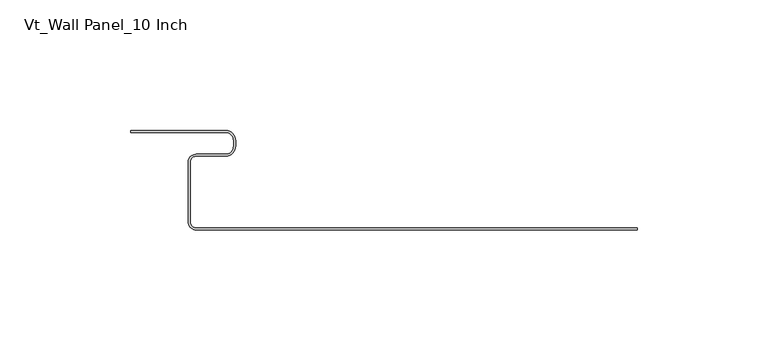
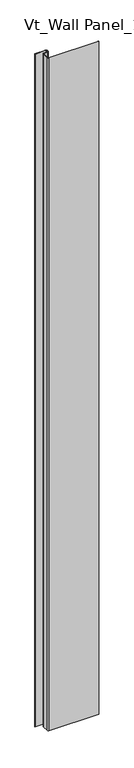
"""IFC4 building model written with IfcOpenShell, lengths in millimetres: plate geometry, Vt_Wall Panel_10 Inch."""

from ifc_helpers import new_model, si_unit, point, frame_2d, origin, origin_with_axes, place, context, project, spatial, polyline, circle_curve, trimmed, segment, composite_curve, outline, extrude, source, transform, mapped, element, save


def vt_wall_panel_10_inch_a961267e(model_context):
    return source(origin(), model_context, "Body", "SweptSolid", [
        extrude(outline(composite_curve([segment(polyline([(-85.9585407, -34.7869903), (-85.9585407, -12.0917985)]), True, "CONTINUOUS"), segment(trimmed(circle_curve(frame_2d((-82.8607681, -12.0917985)), 3.0977725), [point((-85.9585407, -12.0917985))], [point((-82.8607681, -8.9940259))], False, "CARTESIAN"), True, "CONTINUOUS"), segment(polyline([(-82.8607681, -8.9940259), (-71.6090388, -8.9940259)]), True, "CONTINUOUS"), segment(trimmed(circle_curve(frame_2d((-71.6090388, -5.8962534)), 3.0977725), [point((-71.6090388, -8.9940259))], [point((-68.5112662, -5.8962534))], True, "CARTESIAN"), True, "CONTINUOUS"), segment(polyline([(-68.5112662, -5.8962534), (-68.5112662, -3.8033983)]), True, "CONTINUOUS"), segment(trimmed(circle_curve(frame_2d((-71.6090388, -3.8033983)), 3.0977725), [point((-68.5112662, -3.8033983))], [point((-71.6090388, -0.7056258))], True, "CARTESIAN"), True, "CONTINUOUS"), segment(polyline([(-71.6090388, -0.7056258), (-107.8926289, -0.7056258), (-107.8926289, 0.0749154), (-71.6090388, 0.0749154)]), True, "CONTINUOUS"), segment(trimmed(circle_curve(frame_2d((-71.6090388, -3.8033983)), 3.8783136), [point((-71.6090388, 0.0749154))], [point((-67.7307251, -3.8033983))], False, "CARTESIAN"), True, "CONTINUOUS"), segment(polyline([(-67.7307251, -3.8033983), (-67.7307251, -5.8962534)]), True, "CONTINUOUS"), segment(trimmed(circle_curve(frame_2d((-71.6090388, -5.8962534)), 3.8783136), [point((-67.7307251, -5.8962534))], [point((-71.6090388, -9.774567))], False, "CARTESIAN"), True, "CONTINUOUS"), segment(polyline([(-71.6090388, -9.774567), (-82.8607681, -9.774567)]), True, "CONTINUOUS"), segment(trimmed(circle_curve(frame_2d((-82.8607681, -12.0917985)), 2.3172314), [point((-82.8607681, -9.774567))], [point((-85.1779996, -12.0917985))], True, "CARTESIAN"), True, "CONTINUOUS"), segment(polyline([(-85.1779996, -12.0917985), (-85.1779996, -34.7869903)]), True, "CONTINUOUS"), segment(trimmed(circle_curve(frame_2d((-82.745531, -34.7869903)), 2.4324686), [point((-85.1779996, -34.7869903))], [point((-82.745531, -37.2194589))], True, "CARTESIAN"), True, "CONTINUOUS"), segment(polyline([(-82.745531, -37.2194589), (85.9042607, -37.2194589), (85.9042607, -38.0), (-82.745531, -38.0)]), True, "CONTINUOUS"), segment(trimmed(circle_curve(frame_2d((-82.745531, -34.7869903)), 3.2130097), [point((-82.745531, -38.0))], [point((-85.9585407, -34.7869903))], False, "CARTESIAN"), True, "CONTINUOUS")], self_intersect=False)), origin_with_axes(), (0.0, 0.0, 1.0), 2400.0),
    ])


if __name__ == "__main__":
    model = new_model("IFC4")
    model_context = context("Model", 3, world=origin())
    ifc_project = project(units=[si_unit("LENGTHUNIT", "METRE", prefix="MILLI")], contexts=[model_context])
    site = spatial("IfcSite", under=ifc_project)
    building = spatial("IfcBuilding", under=site)
    placement = place(None, origin())
    vt_wall_panel_10_inch_shape = vt_wall_panel_10_inch_a961267e(model_context)
    element("IfcPlate", 1, ObjectType="Vt_Wall Panel_10 Inch", at=placement, inside=building, context=model_context, shape_type="MappedRepresentation", body=[
        mapped(vt_wall_panel_10_inch_shape, transform((0.0, 0.0, 0.0), x_axis=(1.0, 0.0, 0.0), y_axis=(0.0, 1.0, 0.0), z_axis=(0.0, 0.0, 1.0))),
    ])
    save(model, "model.ifc")
